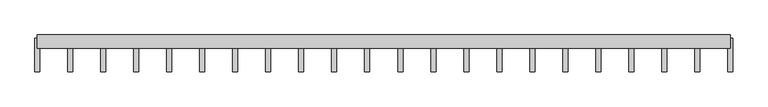
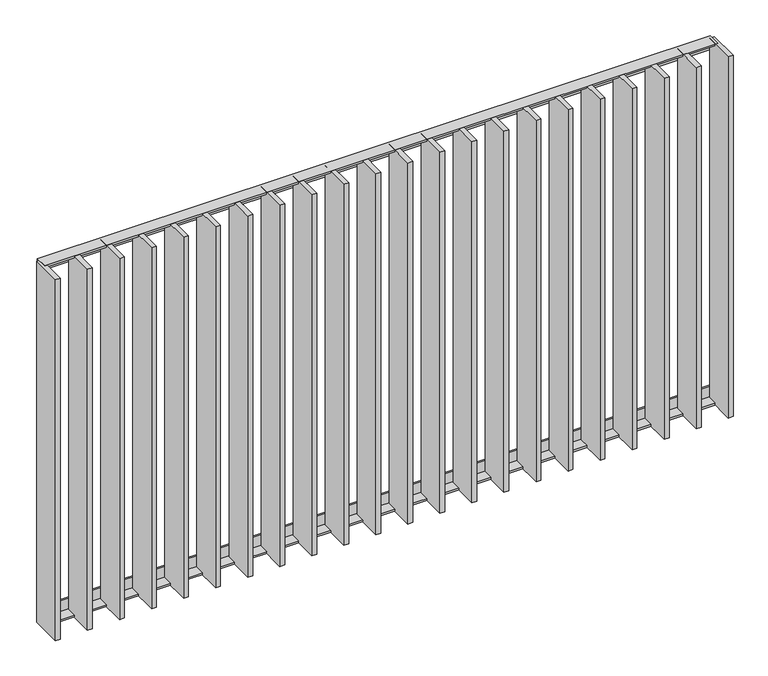
"""IFC4 building model written with IfcOpenShell, lengths in millimetres: railing geometry."""

from ifc_helpers import new_model, si_unit, frame, origin, place, context, project, spatial, polyline, outline, extrude, source, transform, mapped, element, save


def railing_e595da9f(model_context):
    return source(origin(), model_context, "Body", "SweptSolid", [
        extrude(outline(polyline([(27205.429446, 7994.0), (27171.429446, 7994.0), (27171.429446, 8000.0), (27211.429446, 8000.0), (27211.429446, 7960.0), (27205.429446, 7960.0), (27205.429446, 7994.0)])), frame((4609.5112064, 0.0, 0.0), z_axis=(1.0, 0.0, 0.0), x_axis=(0.0, 1.0, 0.0)), (0.0, 0.0, 1.0), 2080.0),
        extrude(outline(polyline([(27205.429446, 6826.0), (27205.429446, 6860.0), (27211.429446, 6860.0), (27211.429446, 6820.0), (27171.429446, 6820.0), (27171.429446, 6826.0), (27205.429446, 6826.0)])), frame((4609.5112064, 0.0, 0.0), z_axis=(1.0, 0.0, 0.0), x_axis=(0.0, 1.0, 0.0)), (0.0, 0.0, 1.0), 2080.0),
        extrude(outline(polyline([(6582.9635874, 27201.429446), (6597.9635874, 27201.429446), (6597.9635874, 27101.429446), (6582.9635874, 27101.429446), (6582.9635874, 27201.429446)])), frame((0.0, 0.0, 6819.9), z_axis=(0.0, 0.0, 1.0), x_axis=(1.0, 0.0, 0.0)), (0.0, 0.0, 1.0), 1180.2),
        extrude(outline(polyline([(6483.9159683, 27201.429446), (6498.9159683, 27201.429446), (6498.9159683, 27101.429446), (6483.9159683, 27101.429446), (6483.9159683, 27201.429446)])), frame((0.0, 0.0, 6819.9), z_axis=(0.0, 0.0, 1.0), x_axis=(1.0, 0.0, 0.0)), (0.0, 0.0, 1.0), 1180.2),
        extrude(outline(polyline([(6384.8683493, 27201.429446), (6399.8683493, 27201.429446), (6399.8683493, 27101.429446), (6384.8683493, 27101.429446), (6384.8683493, 27201.429446)])), frame((0.0, 0.0, 6819.9), z_axis=(0.0, 0.0, 1.0), x_axis=(1.0, 0.0, 0.0)), (0.0, 0.0, 1.0), 1180.2),
        extrude(outline(polyline([(6285.8207302, 27201.429446), (6300.8207302, 27201.429446), (6300.8207302, 27101.429446), (6285.8207302, 27101.429446), (6285.8207302, 27201.429446)])), frame((0.0, 0.0, 6819.9), z_axis=(0.0, 0.0, 1.0), x_axis=(1.0, 0.0, 0.0)), (0.0, 0.0, 1.0), 1180.2),
        extrude(outline(polyline([(6186.7731112, 27201.429446), (6201.7731112, 27201.429446), (6201.7731112, 27101.429446), (6186.7731112, 27101.429446), (6186.7731112, 27201.429446)])), frame((0.0, 0.0, 6819.9), z_axis=(0.0, 0.0, 1.0), x_axis=(1.0, 0.0, 0.0)), (0.0, 0.0, 1.0), 1180.2),
        extrude(outline(polyline([(6087.7254921, 27201.429446), (6102.7254921, 27201.429446), (6102.7254921, 27101.429446), (6087.7254921, 27101.429446), (6087.7254921, 27201.429446)])), frame((0.0, 0.0, 6819.9), z_axis=(0.0, 0.0, 1.0), x_axis=(1.0, 0.0, 0.0)), (0.0, 0.0, 1.0), 1180.2),
        extrude(outline(polyline([(5988.6778731, 27201.429446), (6003.6778731, 27201.429446), (6003.6778731, 27101.429446), (5988.6778731, 27101.429446), (5988.6778731, 27201.429446)])), frame((0.0, 0.0, 6819.9), z_axis=(0.0, 0.0, 1.0), x_axis=(1.0, 0.0, 0.0)), (0.0, 0.0, 1.0), 1180.2),
        extrude(outline(polyline([(5889.630254, 27201.429446), (5904.630254, 27201.429446), (5904.630254, 27101.429446), (5889.630254, 27101.429446), (5889.630254, 27201.429446)])), frame((0.0, 0.0, 6819.9), z_axis=(0.0, 0.0, 1.0), x_axis=(1.0, 0.0, 0.0)), (0.0, 0.0, 1.0), 1180.2),
        extrude(outline(polyline([(5790.582635, 27201.429446), (5805.582635, 27201.429446), (5805.582635, 27101.429446), (5790.582635, 27101.429446), (5790.582635, 27201.429446)])), frame((0.0, 0.0, 6819.9), z_axis=(0.0, 0.0, 1.0), x_axis=(1.0, 0.0, 0.0)), (0.0, 0.0, 1.0), 1180.2),
        extrude(outline(polyline([(5691.5350159, 27201.429446), (5706.5350159, 27201.429446), (5706.5350159, 27101.429446), (5691.5350159, 27101.429446), (5691.5350159, 27201.429446)])), frame((0.0, 0.0, 6819.9), z_axis=(0.0, 0.0, 1.0), x_axis=(1.0, 0.0, 0.0)), (0.0, 0.0, 1.0), 1180.2),
        extrude(outline(polyline([(5592.4873969, 27201.429446), (5607.4873969, 27201.429446), (5607.4873969, 27101.429446), (5592.4873969, 27101.429446), (5592.4873969, 27201.429446)])), frame((0.0, 0.0, 6819.9), z_axis=(0.0, 0.0, 1.0), x_axis=(1.0, 0.0, 0.0)), (0.0, 0.0, 1.0), 1180.2),
        extrude(outline(polyline([(5493.4397778, 27201.429446), (5508.4397778, 27201.429446), (5508.4397778, 27101.429446), (5493.4397778, 27101.429446), (5493.4397778, 27201.429446)])), frame((0.0, 0.0, 6819.9), z_axis=(0.0, 0.0, 1.0), x_axis=(1.0, 0.0, 0.0)), (0.0, 0.0, 1.0), 1180.2),
        extrude(outline(polyline([(5394.3921588, 27201.429446), (5409.3921588, 27201.429446), (5409.3921588, 27101.429446), (5394.3921588, 27101.429446), (5394.3921588, 27201.429446)])), frame((0.0, 0.0, 6819.9), z_axis=(0.0, 0.0, 1.0), x_axis=(1.0, 0.0, 0.0)), (0.0, 0.0, 1.0), 1180.2),
        extrude(outline(polyline([(5295.3445397, 27201.429446), (5310.3445397, 27201.429446), (5310.3445397, 27101.429446), (5295.3445397, 27101.429446), (5295.3445397, 27201.429446)])), frame((0.0, 0.0, 6819.9), z_axis=(0.0, 0.0, 1.0), x_axis=(1.0, 0.0, 0.0)), (0.0, 0.0, 1.0), 1180.2),
        extrude(outline(polyline([(5196.2969207, 27201.429446), (5211.2969207, 27201.429446), (5211.2969207, 27101.429446), (5196.2969207, 27101.429446), (5196.2969207, 27201.429446)])), frame((0.0, 0.0, 6819.9), z_axis=(0.0, 0.0, 1.0), x_axis=(1.0, 0.0, 0.0)), (0.0, 0.0, 1.0), 1180.2),
        extrude(outline(polyline([(5097.2493017, 27201.429446), (5112.2493017, 27201.429446), (5112.2493017, 27101.429446), (5097.2493017, 27101.429446), (5097.2493017, 27201.429446)])), frame((0.0, 0.0, 6819.9), z_axis=(0.0, 0.0, 1.0), x_axis=(1.0, 0.0, 0.0)), (0.0, 0.0, 1.0), 1180.2),
        extrude(outline(polyline([(4998.2016826, 27201.429446), (5013.2016826, 27201.429446), (5013.2016826, 27101.429446), (4998.2016826, 27101.429446), (4998.2016826, 27201.429446)])), frame((0.0, 0.0, 6819.9), z_axis=(0.0, 0.0, 1.0), x_axis=(1.0, 0.0, 0.0)), (0.0, 0.0, 1.0), 1180.2),
        extrude(outline(polyline([(4899.1540636, 27201.429446), (4914.1540636, 27201.429446), (4914.1540636, 27101.429446), (4899.1540636, 27101.429446), (4899.1540636, 27201.429446)])), frame((0.0, 0.0, 6819.9), z_axis=(0.0, 0.0, 1.0), x_axis=(1.0, 0.0, 0.0)), (0.0, 0.0, 1.0), 1180.2),
        extrude(outline(polyline([(4800.1064445, 27201.429446), (4815.1064445, 27201.429446), (4815.1064445, 27101.429446), (4800.1064445, 27101.429446), (4800.1064445, 27201.429446)])), frame((0.0, 0.0, 6819.9), z_axis=(0.0, 0.0, 1.0), x_axis=(1.0, 0.0, 0.0)), (0.0, 0.0, 1.0), 1180.2),
        extrude(outline(polyline([(4701.0588255, 27201.429446), (4716.0588255, 27201.429446), (4716.0588255, 27101.429446), (4701.0588255, 27101.429446), (4701.0588255, 27201.429446)])), frame((0.0, 0.0, 6819.9), z_axis=(0.0, 0.0, 1.0), x_axis=(1.0, 0.0, 0.0)), (0.0, 0.0, 1.0), 1180.2),
        extrude(outline(polyline([(6682.0112064, 27201.429446), (6697.0112064, 27201.429446), (6697.0112064, 27101.429446), (6682.0112064, 27101.429446), (6682.0112064, 27201.429446)])), frame((0.0, 0.0, 6819.9), z_axis=(0.0, 0.0, 1.0), x_axis=(1.0, 0.0, 0.0)), (0.0, 0.0, 1.0), 1180.2),
        extrude(outline(polyline([(4602.0112064, 27201.429446), (4617.0112064, 27201.429446), (4617.0112064, 27101.429446), (4602.0112064, 27101.429446), (4602.0112064, 27201.429446)])), frame((0.0, 0.0, 6819.9), z_axis=(0.0, 0.0, 1.0), x_axis=(1.0, 0.0, 0.0)), (0.0, 0.0, 1.0), 1180.2),
    ])


if __name__ == "__main__":
    model = new_model("IFC4")
    model_context = context("Model", 3, world=origin())
    ifc_project = project(units=[si_unit("LENGTHUNIT", "METRE", prefix="MILLI")], contexts=[model_context])
    site = spatial("IfcSite", under=ifc_project)
    building = spatial("IfcBuilding", under=site)
    placement = place(None, origin())
    railing_shape = railing_e595da9f(model_context)
    element("IfcRailing", 1, at=placement, inside=building, context=model_context, shape_type="MappedRepresentation", body=[
        mapped(railing_shape, transform((0.0, 0.0, 0.0), x_axis=(1.0, 0.0, 0.0), y_axis=(0.0, 1.0, 0.0), z_axis=(0.0, 0.0, 1.0))),
    ])
    save(model, "model.ifc")
